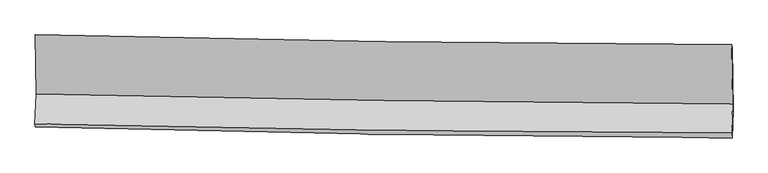
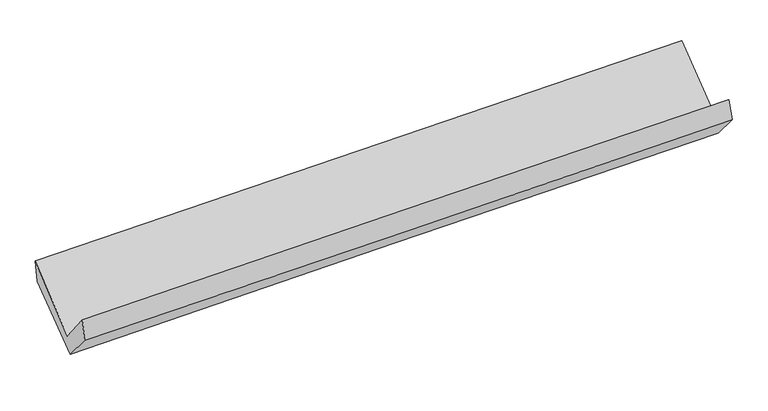
"""IFC4 building model written with IfcOpenShell, lengths in millimetres: proxy geometry."""

from ifc_helpers import new_model, si_unit, frame, origin, place, context, project, spatial, source, transform, mapped, element, save
from ifc_brep_helpers import plane_surface, spline_curve, spline_surface, advanced_brep


def generic_models_076a9a74(model_context):
    return source(origin(), model_context, "Body", "AdvancedBrep", [
        advanced_brep(
        [(-3033.1226729, -1156.3720008, 2164.2700085), (-3024.2455294, -1669.0202868, 1720.0620328), (3018.2330732, -1759.1938494, 1864.554705), (3009.6676684, -1241.2800346, 2298.6880642), (-3035.0080844, -1929.39915, 2049.2210467), (3008.0679052, -2010.921644, 2174.0659231), (-3029.9503472, -1957.0503078, 1858.9185425), (3012.463166, -2054.8758467, 2003.9589493), (-3020.234349, -1709.9278787, 1564.631275), (3021.8531365, -1815.2477042, 1719.7362063), (-3028.1690946, -1185.4236214, 1977.4188686), (3013.5434122, -1268.4650424, 2151.4356323)],
        [
            (0, 1),
            (1, 2, spline_curve(3, [(-3024.2455294, -1669.0202868, 1720.0620328), (-2017.421451507, -1693.450041759, 1750.343728047), (-1010.457739693, -1713.179448449, 1777.525840736), (1003.70180752, -1743.236862413, 1825.689774916), (2010.897629844, -1753.565310056, 1846.671885992), (3018.2330732, -1759.1938494, 1864.554705)], [4, 2, 4], [0.0, 9.916573552850801, 19.832682892520957])),
            (2, 3),
            (3, 0, spline_curve(3, [(3009.6676684, -1241.2800346, 2298.6880642), (2002.176357027, -1238.284239143, 2285.842514041), (994.876621788, -1229.710967782, 2268.218608554), (-1019.386843394, -1201.408812364, 2223.413037105), (-2026.350555208, -1181.679405243, 2196.230924415), (-3033.1226729, -1156.3720008, 2164.2700085)], [4, 2, 4], [0.0, 9.916109339670156, 19.832682892520957])),
            (1, 4),
            (4, 5, spline_curve(3, [(-3035.0080844, -1929.39915, 2049.2210467), (-2028.283578052, -1955.270850891, 2082.777604626), (-1021.319866264, -1975.00025774, 2109.959717228), (993.038819429, -2002.173847222, 2151.574079527), (2000.433770727, -2009.618605206, 2166.006925305), (3008.0679052, -2010.921644, 2174.0659231)], [4, 2, 4], [0.0, 9.916638086043314, 19.832811955885063])),
            (5, 2),
            (4, 6),
            (6, 7, spline_curve(3, [(-3029.9503472, -1957.0503078, 1858.9185425), (-2023.030834633, -1985.311100236, 1884.823680097), (-1016.024830968, -2007.593675587, 1909.863212035), (998.113014702, -2040.201628776, 1958.209932939), (2005.244848928, -2050.527566308, 1981.517203308), (3012.463166, -2054.8758467, 2003.9589493)], [4, 2, 4], [0.0, 9.916676092044936, 19.832887966109176])),
            (7, 5),
            (6, 8),
            (8, 9, spline_curve(3, [(-3020.234349, -1709.9278787, 1564.631275), (-2013.393786455, -1728.892678717, 1595.611676211), (-1006.454426958, -1747.151919858, 1624.027530635), (1007.574743836, -1782.258462022, 1675.728934017), (2014.664546425, -1799.105829557, 1699.014723725), (3021.8531365, -1815.2477042, 1719.7362063)], [4, 2, 4], [0.0, 9.91659843606624, 19.832732657787002])),
            (9, 7),
            (8, 10),
            (10, 11, spline_curve(3, [(-3028.1690946, -1185.4236214, 1977.4188686), (-2021.217325207, -1211.042149937, 2002.779536293), (-1014.253613201, -1230.771556694, 2029.961649204), (999.650556605, -1258.451479217, 2087.967407686), (2006.591013896, -1266.402546056, 2118.790882596), (3013.5434122, -1268.4650424, 2151.4356323)], [4, 2, 4], [0.0, 9.91642802028709, 19.83239183420618])),
            (11, 9),
            (10, 0),
            (3, 11),
        ],
        [
            spline_surface(3, 3, [[(-3033.1226729, -1156.3720008, 2164.2700085), (-2026.350555148, -1181.679405379, 2196.230924332), (-1019.386843318, -1201.408812217, 2223.413037235), (994.876621712, -1229.71096793, 2268.218608425), (2002.176356997, -1238.284239025, 2285.842514045), (3009.6676684, -1241.2800346, 2298.6880642)], [(-3030.163625063, -1327.254762772, 2016.200683277), (-2023.374187279, -1352.26961743, 2047.60185889), (-1016.410475448, -1371.999024267, 2074.783971793), (997.818350328, -1400.886266128, 2120.708997217), (2005.083447981, -1410.044595983, 2139.452304669), (3012.522803343, -1413.917972849, 2153.976944469)], [(-3027.204577237, -1498.137524828, 1868.131358023), (-2020.397819422, -1522.859829565, 1898.972793418), (-1013.434107591, -1542.589236302, 1926.154906321), (1000.760078932, -1572.061564311, 1973.19938598), (2007.990538938, -1581.804952994, 1993.062095285), (3015.377938257, -1586.555911151, 2009.265824731)], [(-3024.2455294, -1669.0202868, 1720.0620328), (-2017.421451553, -1693.450041615, 1750.343727977), (-1010.457739722, -1713.179448353, 1777.52584088), (1003.701807548, -1743.236862509, 1825.689774772), (2010.897629923, -1753.565309951, 1846.671885909), (3018.2330732, -1759.1938494, 1864.554705)]], [4, 4], [4, 2, 4], [0.0, 2.225676508361919], [0.0, 9.916573552850801, 19.832682892520957]),
            spline_surface(3, 3, [[(-3024.2455294, -1669.0202868, 1720.0620328), (-2017.421451553, -1693.450041615, 1750.343727977), (-1010.457739722, -1713.179448353, 1777.52584088), (1003.701807548, -1743.236862509, 1825.689774772), (2010.897629923, -1753.565309951, 1846.671885909), (3018.2330732, -1759.1938494, 1864.554705)], [(-3027.833047739, -1755.81324121, 1829.781704109), (-2021.042160391, -1780.723644699, 1861.155020153), (-1014.07844856, -1800.453051437, 1888.337133056), (1000.147478154, -1829.549190746, 1934.317876315), (2007.409676865, -1838.91640834, 1953.116899017), (3014.844683871, -1843.103114267, 1967.725111006)], [(-3031.420566061, -1842.60619559, 1939.501375391), (-2024.662869211, -1867.997247752, 1971.966312302), (-1017.69915738, -1887.726654589, 1999.148425205), (996.593148778, -1915.861519052, 2042.945977831), (2003.921723795, -1924.267506729, 2059.561912207), (3011.456294529, -1927.012379133, 2070.895517094)], [(-3035.0080844, -1929.39915, 2049.2210467), (-2028.283578049, -1955.270850836, 2082.777604478), (-1021.319866219, -1975.000257673, 2109.959717381), (993.038819384, -2002.173847289, 2151.574079374), (2000.433770737, -2009.618605118, 2166.006925315), (3008.0679052, -2010.921644, 2174.0659231)]], [4, 4], [4, 2, 4], [0.0, 1.3774013305505453], [0.0, 9.916638086043314, 19.832811955885063]),
            spline_surface(3, 3, [[(-3035.0080844, -1929.39915, 2049.2210467), (-2028.283578049, -1955.270850836, 2082.777604478), (-1021.319866219, -1975.000257673, 2109.959717381), (993.038819384, -2002.173847289, 2151.574079374), (2000.433770737, -2009.618605118, 2166.006925315), (3008.0679052, -2010.921644, 2174.0659231)], [(-3033.322171992, -1938.616202614, 1985.786878627), (-2026.532663607, -1965.284267307, 2016.792962968), (-1019.554854506, -1985.86473031, 2043.26088222), (994.730217835, -2014.849774474, 2087.119363958), (2002.037463421, -2023.254925566, 2104.51035138), (3009.532992119, -2025.573044898, 2117.363598517)], [(-3031.636259608, -1947.833255186, 1922.352710573), (-2024.781749189, -1975.297683737, 1950.808321476), (-1017.789842754, -1996.729202914, 1976.562047034), (996.421616325, -2027.525701626, 2022.664648517), (2003.641156148, -2036.89124602, 2043.013777395), (3010.998079081, -2040.224445802, 2060.661273883)], [(-3029.9503472, -1957.0503078, 1858.9185425), (-2023.030834747, -1985.311100208, 1884.823679966), (-1016.024831041, -2007.593675551, 1909.863211873), (998.113014775, -2040.201628812, 1958.209933101), (2005.244848832, -2050.527566468, 1981.517203459), (3012.463166, -2054.8758467, 2003.9589493)]], [4, 4], [4, 2, 4], [0.0, 0.6559759633164237], [0.0, 9.916676092044936, 19.832887966109176]),
            spline_surface(3, 3, [[(-3029.9503472, -1957.0503078, 1858.9185425), (-2023.030834747, -1985.311100208, 1884.823679966), (-1016.024831041, -2007.593675551, 1909.863211873), (998.113014775, -2040.201628812, 1958.209933101), (2005.244848832, -2050.527566468, 1981.517203459), (3012.463166, -2054.8758467, 2003.9589493)], [(-3026.711681131, -1874.676164762, 1760.82278665), (-2019.818485325, -1899.838293022, 1788.419678743), (-1012.834696382, -1920.779756929, 1814.58465138), (1001.266924525, -1954.22057325, 1864.049600097), (2008.384748051, -1966.720320857, 1887.349710235), (3015.593156188, -1974.999799208, 1909.218034976)], [(-3023.473015069, -1792.302021738, 1662.72703085), (-2016.606135911, -1814.36548585, 1692.015677571), (-1009.644561764, -1833.965838341, 1719.306090971), (1004.420834233, -1868.239517722, 1769.889267178), (2011.524647205, -1882.913075222, 1793.182216982), (3018.723146312, -1895.123751692, 1814.477120624)], [(-3020.234349, -1709.9278787, 1564.631275), (-2013.393786489, -1728.892678663, 1595.611676348), (-1006.454427104, -1747.151919719, 1624.027530478), (1007.574743983, -1782.258462161, 1675.728934174), (2014.664546423, -1799.105829611, 1699.014723758), (3021.8531365, -1815.2477042, 1719.7362063)]], [4, 4], [4, 2, 4], [0.0, 1.2622381805864307], [0.0, 9.91659843606624, 19.832732657787002]),
            spline_surface(3, 3, [[(-3020.234349, -1709.9278787, 1564.631275), (-2013.393786489, -1728.892678663, 1595.611676348), (-1006.454427104, -1747.151919719, 1624.027530478), (1007.574743983, -1782.258462161, 1675.728934174), (2014.664546423, -1799.105829611, 1699.014723758), (3021.8531365, -1815.2477042, 1719.7362063)], [(-3022.879264213, -1535.093126254, 1702.227139563), (-2016.001632725, -1556.275835747, 1731.334296376), (-1009.054155849, -1575.025132072, 1759.338903427), (1004.933348229, -1607.656134477, 1813.141758692), (2011.97336888, -1621.538068385, 1838.940110049), (3019.083228392, -1632.986816936, 1863.636014946)], [(-3025.524179387, -1360.258373846, 1839.823004037), (-2018.609478923, -1383.658992869, 1867.056916313), (-1011.653884584, -1402.898344437, 1894.650276295), (1002.291952486, -1433.053806805, 1950.554583128), (2009.282191359, -1443.97030715, 1978.865496401), (3016.313320308, -1450.725929664, 2007.535823654)], [(-3028.1690946, -1185.4236214, 1977.4188686), (-2021.217325159, -1211.042149952, 2002.779536341), (-1014.253613329, -1230.77155679, 2029.961649244), (999.650556732, -1258.451479121, 2087.967407646), (2006.591013816, -1266.402545924, 2118.790882691), (3013.5434122, -1268.4650424, 2151.4356323)]], [4, 4], [4, 2, 4], [0.0, 2.1710895250713036], [0.0, 9.91642802028709, 19.83239183420618]),
            spline_surface(3, 3, [[(-3028.1690946, -1185.4236214, 1977.4188686), (-2021.217325159, -1211.042149952, 2002.779536341), (-1014.253613329, -1230.77155679, 2029.961649244), (999.650556732, -1258.451479121, 2087.967407646), (2006.591013816, -1266.402545924, 2118.790882691), (3013.5434122, -1268.4650424, 2151.4356323)], [(-3029.820287362, -1175.739747889, 2039.702581874), (-2022.928401818, -1201.25456845, 2067.263332312), (-1015.964689987, -1220.983975287, 2094.445445215), (998.059245063, -1248.871308746, 2148.051141213), (2005.11946153, -1257.029776966, 2174.474759829), (3012.251497587, -1259.403373142, 2200.519776286)], [(-3031.471480138, -1166.055874311, 2101.986295226), (-2024.63947849, -1191.466986882, 2131.747128361), (-1017.675766659, -1211.196393719, 2158.929241264), (996.467933381, -1239.291138305, 2208.134874858), (2003.647909283, -1247.657007983, 2230.158636908), (3010.959583013, -1250.341703858, 2249.603920214)], [(-3033.1226729, -1156.3720008, 2164.2700085), (-2026.350555148, -1181.679405379, 2196.230924332), (-1019.386843318, -1201.408812217, 2223.413037235), (994.876621712, -1229.71096793, 2268.218608425), (2002.176356997, -1238.284239025, 2285.842514045), (3009.6676684, -1241.2800346, 2298.6880642)]], [4, 4], [4, 2, 4], [0.0, 0.6206084618030867], [0.0, 9.91641720412804, 19.832370202394408]),
            plane_surface(frame((3013.9713936, -1691.6640202, 2035.40658), z_axis=(0.9996000133173351, -0.006533205623350399, 0.027516006255757924), x_axis=(-0.011927093296154444, 0.7848067596915189, 0.619625769628736))),
            plane_surface(frame((-3028.4550129, -1601.1988742, 1889.0869623), z_axis=(-0.9996000133173361, 0.006533205623349802, -0.02751600625572066), x_axis=(0.026187101714837055, -0.15358145119488154, -0.9877889316815871))),
        ],
        [
            (0, [[1, 2, 3, 4]]),
            (1, [[5, 6, 7, -2]]),
            (2, [[8, 9, 10, -6]]),
            (3, [[11, 12, 13, -9]]),
            (4, [[14, 15, 16, -12]]),
            (5, [[17, -4, 18, -15]]),
            (6, [[-16, -18, -3, -7, -10, -13]]),
            (7, [[-17, -14, -11, -8, -5, -1]]),
        ],
    ),
    ])


if __name__ == "__main__":
    model = new_model("IFC4")
    model_context = context("Model", 3, world=origin())
    ifc_project = project(units=[si_unit("LENGTHUNIT", "METRE", prefix="MILLI")], contexts=[model_context])
    site = spatial("IfcSite", under=ifc_project)
    building = spatial("IfcBuilding", under=site)
    placement = place(None, origin())
    generic_models_shape = generic_models_076a9a74(model_context)
    element("IfcBuildingElementProxy", 1, Name="Generic Models", at=placement, inside=building, context=model_context, shape_type="MappedRepresentation", body=[
        mapped(generic_models_shape, transform((0.0, 0.0, 0.0), x_axis=(1.0, 0.0, 0.0), y_axis=(0.0, 1.0, 0.0), z_axis=(0.0, 0.0, 1.0))),
    ])
    save(model, "model.ifc")
